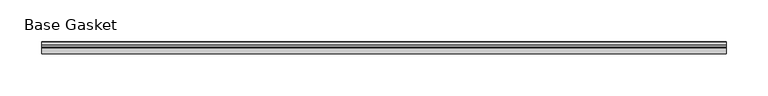
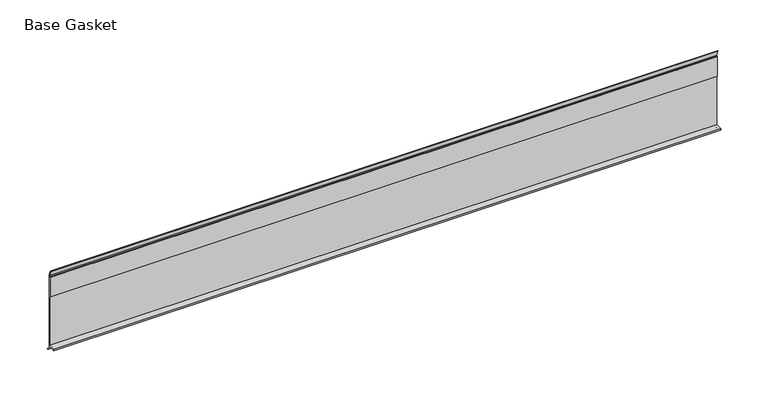
"""IFC4 building model written with IfcOpenShell, lengths in millimetres: furniture geometry, Base Gasket."""

from ifc_helpers import new_model, si_unit, frame, origin, place, context, project, spatial, polyline, outline, extrude, source, transform, mapped, element, save


def base_gasket_c2faf581(model_context):
    return source(origin(), model_context, "Body", "SweptSolid", [
        extrude(outline(polyline([(3.7283812, 98.4568417), (3.7283812, 4.3498477), (7.4222115, 0.6560174), (7.8482342, 0.0), (6.8281054, 0.3520979), (2.2043812, 4.3498477), (2.1334222, 6.3818476), (-6.2405171, 6.3818476), (-6.2405171, 7.9398773), (2.2043812, 7.9398773), (2.2043812, 71.4693447), (1.4106313, 71.4693447), (1.4106313, 96.8693477), (2.2043812, 96.8693477), (2.2043812, 98.4568417), (0.6755308, 104.4162708), (0.6755308, 105.2002997), (1.1891543, 104.587663), (3.7283812, 98.4568417)])), frame((-1527.8982117, 0.0, 0.0), z_axis=(1.0, 0.0, 0.0), x_axis=(0.0, 1.0, 0.0)), (0.0, 0.0, 1.0), 816.4756656),
    ])


if __name__ == "__main__":
    model = new_model("IFC4")
    model_context = context("Model", 3, world=origin())
    ifc_project = project(units=[si_unit("LENGTHUNIT", "METRE", prefix="MILLI")], contexts=[model_context])
    site = spatial("IfcSite", under=ifc_project)
    building = spatial("IfcBuilding", under=site)
    placement = place(None, origin())
    base_gasket_shape = base_gasket_c2faf581(model_context)
    element("IfcFurniture", 1, ObjectType="Base Gasket", at=placement, inside=building, context=model_context, shape_type="MappedRepresentation", body=[
        mapped(base_gasket_shape, transform((0.0, 0.0, 0.0), x_axis=(1.0, 0.0, 0.0), y_axis=(0.0, 1.0, 0.0), z_axis=(0.0, 0.0, 1.0))),
    ])
    save(model, "model.ifc")
